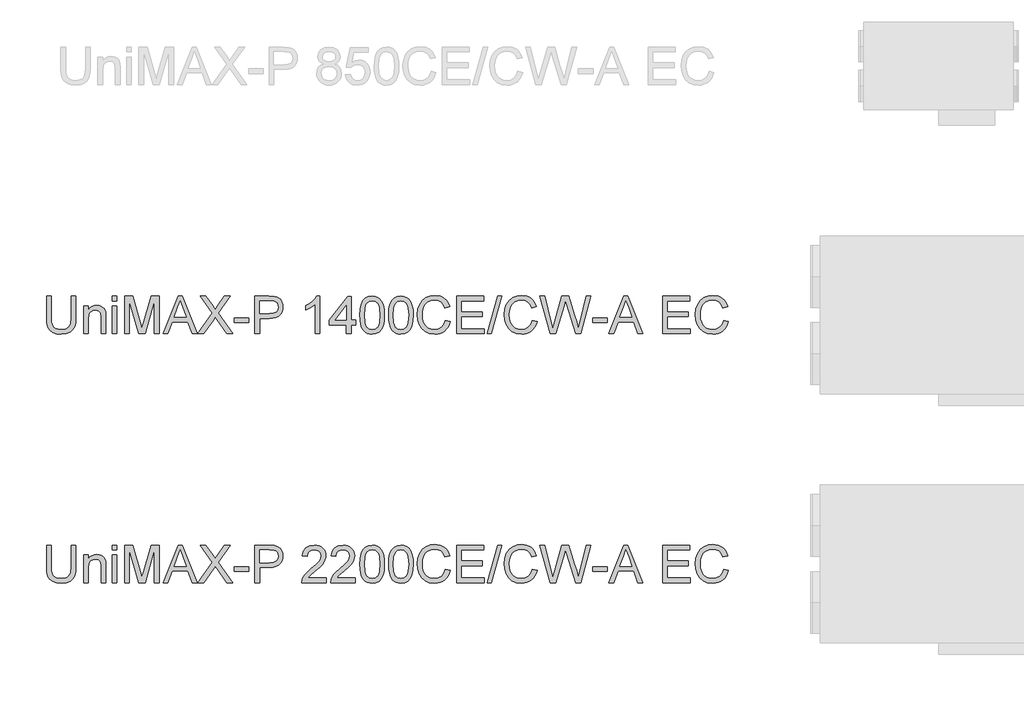
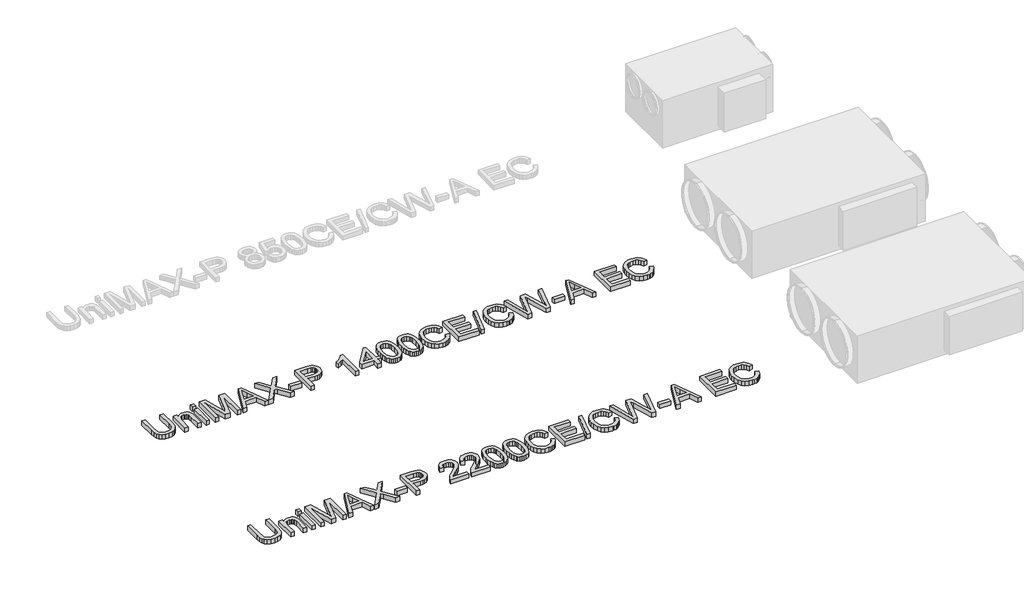
# One storey, part 8 of 74: 2 proxies.
"""IFC4 building model written with IfcOpenShell, lengths in millimetres."""

from ifc_helpers import new_model, si_unit, origin, origin_with_axes, place, context, project, spatial, polyline, outline, extrude, element, save

model = new_model("IFC4")

# Units and contexts
model_context = context("Model", 3, world=origin())
ifc_project = project(units=[si_unit("LENGTHUNIT", "METRE", prefix="MILLI")], contexts=[model_context])

# Site, building, storey
site = spatial("IfcSite", under=ifc_project)
building = spatial("IfcBuilding", under=site)
storey = spatial("IfcBuildingStorey", under=building, Elevation=0.0)

# Proxies
placement = place(None, origin())
element("IfcBuildingElementProxy", 1, Name="Generic Models", at=placement, inside=storey, context=model_context, shape_type="SweptSolid", body=[
    extrude(outline(polyline([(34516.9805383, -40731.9528304), (34554.6516546, -40731.9528304), (34554.6516546, -40905.8138613), (34552.0948748, -40946.5292011), (34544.4245352, -40977.8819441), (34530.0955314, -41002.0701853), (34507.5627592, -41021.2920196), (34476.7710362, -41033.8459926), (34437.6651802, -41038.0306503), (34399.4146497, -41034.3886186), (34368.8344589, -41023.4625233), (34345.9154106, -41005.6294436), (34330.6483078, -40981.2664585), (34322.0674602, -40948.5893403), (34319.2071777, -40905.8138613), (34319.2071777, -40731.9528304), (34356.878294, -40731.9528304), (34356.878294, -40904.4894861), (34358.7360981, -40938.3438267), (34364.3095103, -40961.9158655), (34374.4078711, -40978.2406291), (34389.8405208, -40990.3531438), (34409.9636659, -40997.8579365), (34434.133513, -41000.359534), (34472.4484228, -40995.4115212), (34486.7912221, -40989.2265052), (34497.924251, -40980.5674827), (34506.2613767, -40968.3905887), (34512.2164665, -40951.6519579), (34516.9805383, -40904.4894861), (34516.9805383, -40731.9528304)])), origin_with_axes(), (0.0, 0.0, 1.0), 50.0),
    extrude(outline(polyline([(34615.8672186, -41033.3217608), (34615.8672186, -40812.0039525), (34653.5383349, -40812.0039525), (34653.5383349, -40842.9060401), (34666.6257369, -40827.3262376), (34682.3434952, -40816.1978072), (34700.6916097, -40809.520749), (34721.6700804, -40807.295063), (34740.2389241, -40809.0884877), (34757.2442694, -40814.4687619), (34771.4261203, -40822.7645009), (34781.5244811, -40833.30432), (34792.8184583, -40861.0058343), (34794.8050211, -40897.4261518), (34794.8050211, -41033.3217608), (34757.1339048, -41033.3217608), (34757.1339048, -40902.5029233), (34752.7928972, -40869.1728146), (34746.7872237, -40859.2491977), (34737.452218, -40851.551267), (34725.4868561, -40846.6124512), (34711.5901138, -40844.9661793), (34689.5263911, -40848.6633933), (34670.7184241, -40859.7550355), (34663.2021351, -40868.8095311), (34657.8333572, -40881.1841617), (34653.5383349, -40915.8938279), (34653.5383349, -41033.3217608), (34615.8672186, -41033.3217608)])), origin_with_axes(), (0.0, 0.0, 1.0), 50.0),
    extrude(outline(polyline([(34846.602806, -41033.3217608), (34846.602806, -40812.0039525), (34884.2739223, -40812.0039525), (34884.2739223, -41033.3217608), (34846.602806, -41033.3217608)])), origin_with_axes(), (0.0, 0.0, 1.0), 50.0),
    extrude(outline(polyline([(34846.602806, -40769.6239467), (34846.602806, -40731.9528304), (34884.2739223, -40731.9528304), (34884.2739223, -40769.6239467), (34846.602806, -40769.6239467)])), origin_with_axes(), (0.0, 0.0, 1.0), 50.0),
    extrude(outline(polyline([(34945.4894863, -41033.3217608), (34945.4894863, -40731.9528304), (35010.3102939, -40731.9528304), (35071.9673162, -40944.3678944), (35084.4017277, -40988.734463), (35097.8662087, -40940.6890744), (35158.4931615, -40731.9528304), (35223.3139691, -40731.9528304), (35223.3139691, -41033.3217608), (35185.6428528, -41033.3217608), (35185.6428528, -40769.6239467), (35109.9327381, -41033.3217608), (35058.8707172, -41033.3217608), (34983.1606026, -40769.6239467), (34983.1606026, -41033.3217608), (34945.4894863, -41033.3217608)])), origin_with_axes(), (0.0, 0.0, 1.0), 50.0),
    extrude(outline(polyline([(35254.1424803, -41033.3217608), (35374.4398927, -40731.9528304), (35406.5192027, -40731.9528304), (35526.8166151, -41033.3217608), (35487.0117832, -41033.3217608), (35452.5044521, -40939.14397), (35328.3810669, -40939.14397), (35293.9473121, -41033.3217608), (35254.1424803, -41033.3217608)]), holes=[polyline([(35342.2134299, -40901.4728537), (35438.7456654, -40901.4728537), (35411.5959742, -40827.3814199), (35390.4795477, -40769.6239467), (35371.7175659, -40820.9066968), (35342.2134299, -40901.4728537)])]), origin_with_axes(), (0.0, 0.0, 1.0), 50.0),
    extrude(outline(polyline([(35534.1006786, -41033.3217608), (35650.2778127, -40869.0992382), (35552.9362367, -40731.9528304), (35598.1121457, -40731.9528304), (35652.926563, -40809.1344729), (35671.3942392, -40839.2272201), (35693.0257005, -40808.6194381), (35747.2515066, -40731.9528304), (35793.0896032, -40731.9528304), (35695.7480273, -40869.5406965), (35811.9251613, -41033.3217608), (35766.7492523, -41033.3217608), (35689.3468805, -40924.1343846), (35673.2336492, -40901.4728537), (35655.501737, -40926.3416766), (35579.9387752, -41033.3217608), (35534.1006786, -41033.3217608)])), origin_with_axes(), (0.0, 0.0, 1.0), 50.0),
    extrude(outline(polyline([(35826.05183, -40943.8528596), (35826.05183, -40906.1817433), (35943.7740684, -40906.1817433), (35943.7740684, -40943.8528596), (35826.05183, -40943.8528596)])), origin_with_axes(), (0.0, 0.0, 1.0), 50.0),
    extrude(outline(polyline([(35990.8629638, -41033.3217608), (35990.8629638, -40731.9528304), (36102.5519375, -40731.9528304), (36147.5806937, -40734.8223099), (36167.6578536, -40740.18419), (36184.1849523, -40748.9121903), (36197.4930834, -40761.4017841), (36207.913341, -40778.0484443), (36214.6455815, -40797.6841458), (36216.8896616, -40819.1408632), (36215.3744477, -40837.640729), (36210.8288058, -40854.6598698), (36203.2527359, -40870.1982856), (36192.6462382, -40884.2559764), (36178.0850089, -40895.9086386), (36158.6447447, -40904.2319687), (36134.3254456, -40909.2259668), (36105.1271115, -40910.8906328), (36028.5340801, -40910.8906328), (36028.5340801, -41033.3217608), (35990.8629638, -41033.3217608)]), holes=[polyline([(36028.5340801, -40873.2195165), (36107.3344035, -40873.2195165), (36140.7380886, -40869.7614257), (36162.8110083, -40859.3871535), (36175.1166611, -40842.7404932), (36179.2185453, -40820.4652384), (36176.7997212, -40803.5426666), (36169.5432489, -40789.2688452), (36158.3504392, -40778.5266909), (36144.122603, -40772.1991206), (36106.4514867, -40769.6239467), (36028.5340801, -40769.6239467), (36028.5340801, -40873.2195165)])]), origin_with_axes(), (0.0, 0.0, 1.0), 50.0),
    extrude(outline(polyline([(36513.5497025, -41033.3217608), (36475.8785862, -41033.3217608), (36475.8785862, -40798.4658951), (36440.1940327, -40823.8865409), (36400.5363536, -40842.9060401), (36400.5363536, -40807.295063), (36430.1232631, -40791.2002257), (36455.7554411, -40772.0519678), (36475.9613597, -40751.6896994), (36489.2694909, -40731.9528304), (36513.5497025, -40731.9528304), (36513.5497025, -41033.3217608)])), origin_with_axes(), (0.0, 0.0, 1.0), 50.0),
    extrude(outline(polyline([(36725.4497318, -41033.3217608), (36725.4497318, -40962.6884177), (36588.8919352, -40962.6884177), (36588.8919352, -40925.0173014), (36734.8675108, -40736.6617199), (36763.1208481, -40736.6617199), (36763.1208481, -40925.0173014), (36800.7919644, -40925.0173014), (36800.7919644, -40962.6884177), (36763.1208481, -40962.6884177), (36763.1208481, -41033.3217608), (36725.4497318, -41033.3217608)]), holes=[polyline([(36725.4497318, -40925.0173014), (36725.4497318, -40808.6194381), (36635.2450665, -40925.0173014), (36725.4497318, -40925.0173014)])]), origin_with_axes(), (0.0, 0.0, 1.0), 50.0),
    extrude(outline(polyline([(36833.7541911, -40885.0653167), (36836.5225032, -40836.8267901), (36844.8274392, -40798.3555305), (36858.5862258, -40769.0629266), (36877.7160896, -40748.3603673), (36902.3549862, -40736.0547146), (36932.6408714, -40731.9528304), (36955.8542253, -40734.3808515), (36976.6395581, -40741.664915), (36994.0219823, -40753.5199123), (37007.0266109, -40769.6607349), (37016.8490601, -40789.9494269), (37024.6849466, -40814.2480327), (37029.8169005, -40845.104135), (37031.5275518, -40885.0653167), (37028.7868309, -40933.0279319), (37020.5646683, -40971.407221), (37006.8886551, -41000.727416), (36987.7863825, -41021.5127488), (36963.0923036, -41033.9011749), (36932.6408714, -41038.0306503), (36911.8923269, -41036.2372256), (36893.4982272, -41030.8569514), (36877.4585722, -41021.8898278), (36863.773362, -41009.3358547), (36850.6399747, -40986.6421341), (36841.2589838, -40958.3658043), (36835.6303893, -40924.5068652), (36833.7541911, -40885.0653167)]), holes=[polyline([(36871.4253075, -40884.9917403), (36875.8398914, -40944.2483327), (36881.3581213, -40964.5163314), (36889.0836432, -40978.5441317), (36908.8021182, -40994.9056835), (36932.6408714, -41000.359534), (36956.4796247, -40994.8872894), (36976.1980997, -40978.4705553), (36983.9236216, -40964.4197624), (36989.4418515, -40944.1563622), (36993.8564354, -40884.9917403), (36989.5890043, -40827.0687202), (36984.2547154, -40806.8674001), (36976.7867109, -40792.5062068), (36957.1050241, -40775.3445117), (36932.1994131, -40769.6239467), (36908.6181772, -40774.66393), (36889.6722544, -40789.78388), (36881.6892151, -40805.4188648), (36875.9870442, -40826.4985031), (36871.4253075, -40884.9917403)])]), origin_with_axes(), (0.0, 0.0, 1.0), 50.0),
    extrude(outline(polyline([(37064.4897785, -40885.0653167), (37067.2580905, -40836.8267901), (37075.5630266, -40798.3555305), (37089.3218132, -40769.0629266), (37108.4516769, -40748.3603673), (37133.0905736, -40736.0547146), (37163.3764588, -40731.9528304), (37186.5898127, -40734.3808515), (37207.3751454, -40741.664915), (37224.7575697, -40753.5199123), (37237.7621982, -40769.6607349), (37247.5846475, -40789.9494269), (37255.420534, -40814.2480327), (37260.5524879, -40845.104135), (37262.2631391, -40885.0653167), (37259.5224183, -40933.0279319), (37251.3002557, -40971.407221), (37237.6242425, -41000.727416), (37218.5219699, -41021.5127488), (37193.827891, -41033.9011749), (37163.3764588, -41038.0306503), (37142.6279143, -41036.2372256), (37124.2338145, -41030.8569514), (37108.1941595, -41021.8898278), (37094.5089493, -41009.3358547), (37081.3755621, -40986.6421341), (37071.9945712, -40958.3658043), (37066.3659767, -40924.5068652), (37064.4897785, -40885.0653167)]), holes=[polyline([(37102.1608948, -40884.9917403), (37106.5754788, -40944.2483327), (37112.0937087, -40964.5163314), (37119.8192306, -40978.5441317), (37139.5377055, -40994.9056835), (37163.3764588, -41000.359534), (37187.2152121, -40994.8872894), (37206.9336871, -40978.4705553), (37214.659209, -40964.4197624), (37220.1774389, -40944.1563622), (37224.5920228, -40884.9917403), (37220.3245917, -40827.0687202), (37214.9903027, -40806.8674001), (37207.5222982, -40792.5062068), (37187.8406115, -40775.3445117), (37162.9350004, -40769.6239467), (37139.3537645, -40774.66393), (37120.4078418, -40789.78388), (37112.4248025, -40805.4188648), (37106.7226316, -40826.4985031), (37102.1608948, -40884.9917403)])]), origin_with_axes(), (0.0, 0.0, 1.0), 50.0),
    extrude(outline(polyline([(37521.2520637, -40926.1945238), (37558.92318, -40935.9066085), (37551.4689711, -40959.3337938), (37541.5407558, -40979.8041276), (37529.138534, -40997.3176098), (37514.2623058, -41011.8742405), (37497.2477635, -41023.3176698), (37478.4305995, -41031.4915479), (37457.8108137, -41036.3958747), (37435.3884061, -41038.0306503), (37391.6932221, -41033.0826375), (37356.9927529, -41018.238599), (37330.3948846, -40994.0135696), (37311.0075035, -40960.9225842), (37299.1709003, -40922.0190632), (37295.2253659, -40880.3564272), (37299.6859351, -40836.4129229), (37313.0676427, -40798.4658951), (37334.6715128, -40767.7201573), (37363.7985698, -40745.3805232), (37398.3426891, -40731.7780864), (37436.1977464, -40727.2439408), (37477.5016975, -40733.1116586), (37495.4704337, -40740.4463059), (37511.6503437, -40750.7148121), (37525.774713, -40763.6458642), (37537.5768273, -40778.9681493), (37554.2142905, -40816.7864184), (37516.5431742, -40825.7627391), (37503.4833634, -40798.2911511), (37485.6410866, -40779.4463959), (37462.7956147, -40768.5478918), (37434.7262185, -40764.9150571), (37402.370997, -40768.943365), (37375.7915228, -40781.0282885), (37355.6223925, -40799.9006349), (37342.4982023, -40824.2912111), (37335.2969122, -40851.8639667), (37332.8964822, -40880.2828508), (37335.7383706, -40915.0844876), (37344.2640359, -40945.1772348), (37358.7953747, -40969.4114612), (37379.6542838, -40986.6375356), (37404.6610624, -40996.9290344), (37431.6360097, -41000.359534), (37463.0807232, -40995.6874327), (37489.2831184, -40981.6711287), (37509.0659726, -40958.4577748), (37521.2520637, -40926.1945238)])), origin_with_axes(), (0.0, 0.0, 1.0), 50.0),
    extrude(outline(polyline([(37610.720965, -41033.3217608), (37610.720965, -40731.9528304), (37827.3298837, -40731.9528304), (37827.3298837, -40769.6239467), (37648.3920813, -40769.6239467), (37648.3920813, -40859.0928479), (37817.9121046, -40859.0928479), (37817.9121046, -40896.7639642), (37648.3920813, -40896.7639642), (37648.3920813, -40995.6506445), (37832.0387733, -40995.6506445), (37832.0387733, -41033.3217608), (37610.720965, -41033.3217608)])), origin_with_axes(), (0.0, 0.0, 1.0), 50.0),
    extrude(outline(polyline([(37855.5832209, -41033.3217608), (37940.3432326, -40731.9528304), (37974.335529, -40731.9528304), (37889.5755173, -41033.3217608), (37855.5832209, -41033.3217608)])), origin_with_axes(), (0.0, 0.0, 1.0), 50.0),
    extrude(outline(polyline([(38218.1677154, -40926.1945238), (38255.8388317, -40935.9066085), (38248.3846228, -40959.3337938), (38238.4564074, -40979.8041276), (38226.0541857, -40997.3176098), (38211.1779575, -41011.8742405), (38194.1634152, -41023.3176698), (38175.3462512, -41031.4915479), (38154.7264653, -41036.3958747), (38132.3040577, -41038.0306503), (38088.6088737, -41033.0826375), (38053.9084045, -41018.238599), (38027.3105363, -40994.0135696), (38007.9231552, -40960.9225842), (37996.086552, -40922.0190632), (37992.1410176, -40880.3564272), (37996.6015868, -40836.4129229), (38009.9832943, -40798.4658951), (38031.5871645, -40767.7201573), (38060.7142215, -40745.3805232), (38095.2583408, -40731.7780864), (38133.1133981, -40727.2439408), (38174.4173491, -40733.1116586), (38192.3860853, -40740.4463059), (38208.5659953, -40750.7148121), (38222.6903647, -40763.6458642), (38234.4924789, -40778.9681493), (38251.1299422, -40816.7864184), (38213.4588259, -40825.7627391), (38200.399015, -40798.2911511), (38182.5567383, -40779.4463959), (38159.7112664, -40768.5478918), (38131.6418701, -40764.9150571), (38099.2866487, -40768.943365), (38072.7071745, -40781.0282885), (38052.5380441, -40799.9006349), (38039.4138539, -40824.2912111), (38032.2125639, -40851.8639667), (38029.8121339, -40880.2828508), (38032.6540223, -40915.0844876), (38041.1796875, -40945.1772348), (38055.7110263, -40969.4114612), (38076.5699355, -40986.6375356), (38101.5767141, -40996.9290344), (38128.5516614, -41000.359534), (38159.9963749, -40995.6874327), (38186.19877, -40981.6711287), (38205.9816243, -40958.4577748), (38218.1677154, -40926.1945238)])), origin_with_axes(), (0.0, 0.0, 1.0), 50.0),
    extrude(outline(polyline([(38361.5681171, -41033.3217608), (38279.3832794, -40731.9528304), (38318.2316181, -40731.9528304), (38365.9091247, -40930.0204966), (38380.6244045, -40991.1624842), (38396.3697539, -40937.0838309), (38456.1137899, -40731.9528304), (38512.1054295, -40731.9528304), (38555.515505, -40880.6507328), (38574.1119398, -40935.8330321), (38587.8155441, -40991.1624842), (38602.0893656, -40931.7863301), (38650.2083305, -40731.9528304), (38689.0566692, -40731.9528304), (38606.7982551, -41033.3217608), (38566.5519648, -41033.3217608), (38494.299941, -40800.8203398), (38484.2199743, -40768.3731479), (38472.8892089, -40807.4422158), (38407.0383317, -41033.3217608), (38361.5681171, -41033.3217608)])), origin_with_axes(), (0.0, 0.0, 1.0), 50.0),
    extrude(outline(polyline([(38703.1833378, -40943.8528596), (38703.1833378, -40906.1817433), (38820.9055763, -40906.1817433), (38820.9055763, -40943.8528596), (38703.1833378, -40943.8528596)])), origin_with_axes(), (0.0, 0.0, 1.0), 50.0),
    extrude(outline(polyline([(38832.8985293, -41033.3217608), (38953.1959418, -40731.9528304), (38985.2752517, -40731.9528304), (39105.5726642, -41033.3217608), (39065.7678323, -41033.3217608), (39031.2605011, -40939.14397), (38907.137116, -40939.14397), (38872.7033612, -41033.3217608), (38832.8985293, -41033.3217608)]), holes=[polyline([(38920.969479, -40901.4728537), (39017.5017145, -40901.4728537), (38990.3520233, -40827.3814199), (38969.2355967, -40769.6239467), (38950.473615, -40820.9066968), (38920.969479, -40901.4728537)])]), origin_with_axes(), (0.0, 0.0, 1.0), 50.0),
    extrude(outline(polyline([(39263.5411929, -41033.3217608), (39263.5411929, -40731.9528304), (39480.1501116, -40731.9528304), (39480.1501116, -40769.6239467), (39301.2123092, -40769.6239467), (39301.2123092, -40859.0928479), (39470.7323326, -40859.0928479), (39470.7323326, -40896.7639642), (39301.2123092, -40896.7639642), (39301.2123092, -40995.6506445), (39484.8590012, -40995.6506445), (39484.8590012, -41033.3217608), (39263.5411929, -41033.3217608)])), origin_with_axes(), (0.0, 0.0, 1.0), 50.0),
    extrude(outline(polyline([(39753.2657049, -40926.1945238), (39790.9368212, -40935.9066085), (39783.4826122, -40959.3337938), (39773.5543969, -40979.8041276), (39761.1521751, -40997.3176098), (39746.275947, -41011.8742405), (39729.2614047, -41023.3176698), (39710.4442406, -41031.4915479), (39689.8244548, -41036.3958747), (39667.4020472, -41038.0306503), (39623.7068632, -41033.0826375), (39589.006394, -41018.238599), (39562.4085258, -40994.0135696), (39543.0211446, -40960.9225842), (39531.1845414, -40922.0190632), (39527.239007, -40880.3564272), (39531.6995762, -40836.4129229), (39545.0812838, -40798.4658951), (39566.685154, -40767.7201573), (39595.8122109, -40745.3805232), (39630.3563303, -40731.7780864), (39668.2113876, -40727.2439408), (39709.5153386, -40733.1116586), (39727.4840748, -40740.4463059), (39743.6639848, -40750.7148121), (39757.7883541, -40763.6458642), (39769.5904684, -40778.9681493), (39786.2279316, -40816.7864184), (39748.5568153, -40825.7627391), (39735.4970045, -40798.2911511), (39717.6547277, -40779.4463959), (39694.8092558, -40768.5478918), (39666.7398596, -40764.9150571), (39634.3846381, -40768.943365), (39607.805164, -40781.0282885), (39587.6360336, -40799.9006349), (39574.5118434, -40824.2912111), (39567.3105534, -40851.8639667), (39564.9101233, -40880.2828508), (39567.7520118, -40915.0844876), (39576.277677, -40945.1772348), (39590.8090158, -40969.4114612), (39611.6679249, -40986.6375356), (39636.6747035, -40996.9290344), (39663.6496508, -41000.359534), (39695.0943644, -40995.6874327), (39721.2967595, -40981.6711287), (39741.0796138, -40958.4577748), (39753.2657049, -40926.1945238)])), origin_with_axes(), (0.0, 0.0, 1.0), 50.0),
])
element("IfcBuildingElementProxy", 2, Name="Generic Models", at=placement, inside=storey, context=model_context, shape_type="SweptSolid", body=[
    extrude(outline(polyline([(34516.9805383, -42731.9528304), (34554.6516546, -42731.9528304), (34554.6516546, -42905.8138613), (34552.0948748, -42946.5292011), (34544.4245352, -42977.8819441), (34530.0955314, -43002.0701853), (34507.5627592, -43021.2920196), (34476.7710362, -43033.8459926), (34437.6651802, -43038.0306503), (34399.4146497, -43034.3886186), (34368.8344589, -43023.4625233), (34345.9154106, -43005.6294436), (34330.6483078, -42981.2664585), (34322.0674602, -42948.5893403), (34319.2071777, -42905.8138613), (34319.2071777, -42731.9528304), (34356.878294, -42731.9528304), (34356.878294, -42904.4894861), (34358.7360981, -42938.3438267), (34364.3095103, -42961.9158655), (34374.4078711, -42978.2406291), (34389.8405208, -42990.3531438), (34409.9636659, -42997.8579365), (34434.133513, -43000.359534), (34472.4484228, -42995.4115212), (34486.7912221, -42989.2265052), (34497.924251, -42980.5674827), (34506.2613767, -42968.3905887), (34512.2164665, -42951.6519579), (34516.9805383, -42904.4894861), (34516.9805383, -42731.9528304)])), origin_with_axes(), (0.0, 0.0, 1.0), 50.0),
    extrude(outline(polyline([(34615.8672186, -43033.3217608), (34615.8672186, -42812.0039525), (34653.5383349, -42812.0039525), (34653.5383349, -42842.9060401), (34666.6257369, -42827.3262376), (34682.3434952, -42816.1978072), (34700.6916097, -42809.520749), (34721.6700804, -42807.295063), (34740.2389241, -42809.0884877), (34757.2442694, -42814.4687619), (34771.4261203, -42822.7645009), (34781.5244811, -42833.30432), (34792.8184583, -42861.0058343), (34794.8050211, -42897.4261518), (34794.8050211, -43033.3217608), (34757.1339048, -43033.3217608), (34757.1339048, -42902.5029233), (34752.7928972, -42869.1728146), (34746.7872237, -42859.2491977), (34737.452218, -42851.551267), (34725.4868561, -42846.6124512), (34711.5901138, -42844.9661793), (34689.5263911, -42848.6633933), (34670.7184241, -42859.7550355), (34663.2021351, -42868.8095311), (34657.8333572, -42881.1841617), (34653.5383349, -42915.8938279), (34653.5383349, -43033.3217608), (34615.8672186, -43033.3217608)])), origin_with_axes(), (0.0, 0.0, 1.0), 50.0),
    extrude(outline(polyline([(34846.602806, -43033.3217608), (34846.602806, -42812.0039525), (34884.2739223, -42812.0039525), (34884.2739223, -43033.3217608), (34846.602806, -43033.3217608)])), origin_with_axes(), (0.0, 0.0, 1.0), 50.0),
    extrude(outline(polyline([(34846.602806, -42769.6239467), (34846.602806, -42731.9528304), (34884.2739223, -42731.9528304), (34884.2739223, -42769.6239467), (34846.602806, -42769.6239467)])), origin_with_axes(), (0.0, 0.0, 1.0), 50.0),
    extrude(outline(polyline([(34945.4894863, -43033.3217608), (34945.4894863, -42731.9528304), (35010.3102939, -42731.9528304), (35071.9673162, -42944.3678944), (35084.4017277, -42988.734463), (35097.8662087, -42940.6890744), (35158.4931615, -42731.9528304), (35223.3139691, -42731.9528304), (35223.3139691, -43033.3217608), (35185.6428528, -43033.3217608), (35185.6428528, -42769.6239467), (35109.9327381, -43033.3217608), (35058.8707172, -43033.3217608), (34983.1606026, -42769.6239467), (34983.1606026, -43033.3217608), (34945.4894863, -43033.3217608)])), origin_with_axes(), (0.0, 0.0, 1.0), 50.0),
    extrude(outline(polyline([(35254.1424803, -43033.3217608), (35374.4398927, -42731.9528304), (35406.5192027, -42731.9528304), (35526.8166151, -43033.3217608), (35487.0117832, -43033.3217608), (35452.5044521, -42939.14397), (35328.3810669, -42939.14397), (35293.9473121, -43033.3217608), (35254.1424803, -43033.3217608)]), holes=[polyline([(35342.2134299, -42901.4728537), (35438.7456654, -42901.4728537), (35411.5959742, -42827.3814199), (35390.4795477, -42769.6239467), (35371.7175659, -42820.9066968), (35342.2134299, -42901.4728537)])]), origin_with_axes(), (0.0, 0.0, 1.0), 50.0),
    extrude(outline(polyline([(35534.1006786, -43033.3217608), (35650.2778127, -42869.0992382), (35552.9362367, -42731.9528304), (35598.1121457, -42731.9528304), (35652.926563, -42809.1344729), (35671.3942392, -42839.2272201), (35693.0257005, -42808.6194381), (35747.2515066, -42731.9528304), (35793.0896032, -42731.9528304), (35695.7480273, -42869.5406965), (35811.9251613, -43033.3217608), (35766.7492523, -43033.3217608), (35689.3468805, -42924.1343846), (35673.2336492, -42901.4728537), (35655.501737, -42926.3416766), (35579.9387752, -43033.3217608), (35534.1006786, -43033.3217608)])), origin_with_axes(), (0.0, 0.0, 1.0), 50.0),
    extrude(outline(polyline([(35826.05183, -42943.8528596), (35826.05183, -42906.1817433), (35943.7740684, -42906.1817433), (35943.7740684, -42943.8528596), (35826.05183, -42943.8528596)])), origin_with_axes(), (0.0, 0.0, 1.0), 50.0),
    extrude(outline(polyline([(35990.8629638, -43033.3217608), (35990.8629638, -42731.9528304), (36102.5519375, -42731.9528304), (36147.5806937, -42734.8223099), (36167.6578536, -42740.18419), (36184.1849523, -42748.9121903), (36197.4930834, -42761.4017841), (36207.913341, -42778.0484443), (36214.6455815, -42797.6841458), (36216.8896616, -42819.1408632), (36215.3744477, -42837.640729), (36210.8288058, -42854.6598698), (36203.2527359, -42870.1982856), (36192.6462382, -42884.2559764), (36178.0850089, -42895.9086386), (36158.6447447, -42904.2319687), (36134.3254456, -42909.2259668), (36105.1271115, -42910.8906328), (36028.5340801, -42910.8906328), (36028.5340801, -43033.3217608), (35990.8629638, -43033.3217608)]), holes=[polyline([(36028.5340801, -42873.2195165), (36107.3344035, -42873.2195165), (36140.7380886, -42869.7614257), (36162.8110083, -42859.3871535), (36175.1166611, -42842.7404932), (36179.2185453, -42820.4652384), (36176.7997212, -42803.5426666), (36169.5432489, -42789.2688452), (36158.3504392, -42778.5266909), (36144.122603, -42772.1991206), (36106.4514867, -42769.6239467), (36028.5340801, -42769.6239467), (36028.5340801, -42873.2195165)])]), origin_with_axes(), (0.0, 0.0, 1.0), 50.0),
    extrude(outline(polyline([(36565.3474875, -42995.6506445), (36565.3474875, -43033.3217608), (36367.5741269, -43033.3217608), (36371.6208288, -43007.3492919), (36380.9098492, -42987.0514029), (36394.5030889, -42967.3605191), (36414.1663815, -42946.7499303), (36441.6655607, -42923.6929262), (36482.3165212, -42887.5853084), (36506.7070974, -42860.9322579), (36518.9023856, -42839.3007965), (36522.9674816, -42818.2579464), (36519.1323118, -42799.3947971), (36507.6268024, -42783.7138271), (36489.9408755, -42773.1464168), (36467.5644531, -42769.6239467), (36444.0659907, -42773.0636433), (36425.8098467, -42783.3827333), (36414.0284258, -42799.7718762), (36409.9541327, -42821.4217316), (36372.2830164, -42816.712842), (36381.4156869, -42780.2741304), (36389.9620455, -42765.7381931), (36401.161753, -42753.6578681), (36414.757292, -42744.1619141), (36430.4911451, -42737.3790898), (36468.3737935, -42731.9528304), (36488.5636173, -42733.4611465), (36506.5323535, -42737.9860951), (36522.2800021, -42745.527676), (36535.8065633, -42756.0858892), (36546.6705784, -42768.8789856), (36554.4305893, -42783.1252159), (36559.0865958, -42798.82458), (36560.6385979, -42815.9770781), (36558.9647348, -42833.9940988), (36553.9431456, -42851.6984198), (36545.0312043, -42869.7062434), (36531.6862849, -42888.6337721), (36510.4135085, -42911.2309237), (36477.7179962, -42940.247616), (36434.3814972, -42976.4839925), (36417.385349, -42995.6506445), (36565.3474875, -42995.6506445)])), origin_with_axes(), (0.0, 0.0, 1.0), 50.0),
    extrude(outline(polyline([(36796.0830748, -42995.6506445), (36796.0830748, -43033.3217608), (36598.3097142, -43033.3217608), (36602.3564162, -43007.3492919), (36611.6454366, -42987.0514029), (36625.2386763, -42967.3605191), (36644.9019689, -42946.7499303), (36672.4011481, -42923.6929262), (36713.0521085, -42887.5853084), (36737.4426848, -42860.9322579), (36749.6379729, -42839.3007965), (36753.703069, -42818.2579464), (36749.8678992, -42799.3947971), (36738.3623898, -42783.7138271), (36720.6764629, -42773.1464168), (36698.3000405, -42769.6239467), (36674.8015781, -42773.0636433), (36656.5454341, -42783.3827333), (36644.7640132, -42799.7718762), (36640.6897201, -42821.4217316), (36603.0186038, -42816.712842), (36612.1512743, -42780.2741304), (36620.6976329, -42765.7381931), (36631.8973404, -42753.6578681), (36645.4928794, -42744.1619141), (36661.2267325, -42737.3790898), (36699.1093809, -42731.9528304), (36719.2992047, -42733.4611465), (36737.2679409, -42737.9860951), (36753.0155895, -42745.527676), (36766.5421506, -42756.0858892), (36777.4061658, -42768.8789856), (36785.1661766, -42783.1252159), (36789.8221831, -42798.82458), (36791.3741853, -42815.9770781), (36789.7003222, -42833.9940988), (36784.678733, -42851.6984198), (36775.7667917, -42869.7062434), (36762.4218723, -42888.6337721), (36741.1490959, -42911.2309237), (36708.4535836, -42940.247616), (36665.1170846, -42976.4839925), (36648.1209364, -42995.6506445), (36796.0830748, -42995.6506445)])), origin_with_axes(), (0.0, 0.0, 1.0), 50.0),
    extrude(outline(polyline([(36833.7541911, -42885.0653167), (36836.5225032, -42836.8267901), (36844.8274392, -42798.3555305), (36858.5862258, -42769.0629266), (36877.7160896, -42748.3603673), (36902.3549862, -42736.0547146), (36932.6408714, -42731.9528304), (36955.8542253, -42734.3808515), (36976.6395581, -42741.664915), (36994.0219823, -42753.5199123), (37007.0266109, -42769.6607349), (37016.8490601, -42789.9494269), (37024.6849466, -42814.2480327), (37029.8169005, -42845.104135), (37031.5275518, -42885.0653167), (37028.7868309, -42933.0279319), (37020.5646683, -42971.407221), (37006.8886551, -43000.727416), (36987.7863825, -43021.5127488), (36963.0923036, -43033.9011749), (36932.6408714, -43038.0306503), (36911.8923269, -43036.2372256), (36893.4982272, -43030.8569514), (36877.4585722, -43021.8898278), (36863.773362, -43009.3358547), (36850.6399747, -42986.6421341), (36841.2589838, -42958.3658043), (36835.6303893, -42924.5068652), (36833.7541911, -42885.0653167)]), holes=[polyline([(36871.4253075, -42884.9917403), (36875.8398914, -42944.2483327), (36881.3581213, -42964.5163314), (36889.0836432, -42978.5441317), (36908.8021182, -42994.9056835), (36932.6408714, -43000.359534), (36956.4796247, -42994.8872894), (36976.1980997, -42978.4705553), (36983.9236216, -42964.4197624), (36989.4418515, -42944.1563622), (36993.8564354, -42884.9917403), (36989.5890043, -42827.0687202), (36984.2547154, -42806.8674001), (36976.7867109, -42792.5062068), (36957.1050241, -42775.3445117), (36932.1994131, -42769.6239467), (36908.6181772, -42774.66393), (36889.6722544, -42789.78388), (36881.6892151, -42805.4188648), (36875.9870442, -42826.4985031), (36871.4253075, -42884.9917403)])]), origin_with_axes(), (0.0, 0.0, 1.0), 50.0),
    extrude(outline(polyline([(37064.4897785, -42885.0653167), (37067.2580905, -42836.8267901), (37075.5630266, -42798.3555305), (37089.3218132, -42769.0629266), (37108.4516769, -42748.3603673), (37133.0905736, -42736.0547146), (37163.3764588, -42731.9528304), (37186.5898127, -42734.3808515), (37207.3751454, -42741.664915), (37224.7575697, -42753.5199123), (37237.7621982, -42769.6607349), (37247.5846475, -42789.9494269), (37255.420534, -42814.2480327), (37260.5524879, -42845.104135), (37262.2631391, -42885.0653167), (37259.5224183, -42933.0279319), (37251.3002557, -42971.407221), (37237.6242425, -43000.727416), (37218.5219699, -43021.5127488), (37193.827891, -43033.9011749), (37163.3764588, -43038.0306503), (37142.6279143, -43036.2372256), (37124.2338145, -43030.8569514), (37108.1941595, -43021.8898278), (37094.5089493, -43009.3358547), (37081.3755621, -42986.6421341), (37071.9945712, -42958.3658043), (37066.3659767, -42924.5068652), (37064.4897785, -42885.0653167)]), holes=[polyline([(37102.1608948, -42884.9917403), (37106.5754788, -42944.2483327), (37112.0937087, -42964.5163314), (37119.8192306, -42978.5441317), (37139.5377055, -42994.9056835), (37163.3764588, -43000.359534), (37187.2152121, -42994.8872894), (37206.9336871, -42978.4705553), (37214.659209, -42964.4197624), (37220.1774389, -42944.1563622), (37224.5920228, -42884.9917403), (37220.3245917, -42827.0687202), (37214.9903027, -42806.8674001), (37207.5222982, -42792.5062068), (37187.8406115, -42775.3445117), (37162.9350004, -42769.6239467), (37139.3537645, -42774.66393), (37120.4078418, -42789.78388), (37112.4248025, -42805.4188648), (37106.7226316, -42826.4985031), (37102.1608948, -42884.9917403)])]), origin_with_axes(), (0.0, 0.0, 1.0), 50.0),
    extrude(outline(polyline([(37521.2520637, -42926.1945238), (37558.92318, -42935.9066085), (37551.4689711, -42959.3337938), (37541.5407558, -42979.8041276), (37529.138534, -42997.3176098), (37514.2623058, -43011.8742405), (37497.2477635, -43023.3176698), (37478.4305995, -43031.4915479), (37457.8108137, -43036.3958747), (37435.3884061, -43038.0306503), (37391.6932221, -43033.0826375), (37356.9927529, -43018.238599), (37330.3948846, -42994.0135696), (37311.0075035, -42960.9225842), (37299.1709003, -42922.0190632), (37295.2253659, -42880.3564272), (37299.6859351, -42836.4129229), (37313.0676427, -42798.4658951), (37334.6715128, -42767.7201573), (37363.7985698, -42745.3805232), (37398.3426891, -42731.7780864), (37436.1977464, -42727.2439408), (37477.5016975, -42733.1116586), (37495.4704337, -42740.4463059), (37511.6503437, -42750.7148121), (37525.774713, -42763.6458642), (37537.5768273, -42778.9681493), (37554.2142905, -42816.7864184), (37516.5431742, -42825.7627391), (37503.4833634, -42798.2911511), (37485.6410866, -42779.4463959), (37462.7956147, -42768.5478918), (37434.7262185, -42764.9150571), (37402.370997, -42768.943365), (37375.7915228, -42781.0282885), (37355.6223925, -42799.9006349), (37342.4982023, -42824.2912111), (37335.2969122, -42851.8639667), (37332.8964822, -42880.2828508), (37335.7383706, -42915.0844876), (37344.2640359, -42945.1772348), (37358.7953747, -42969.4114612), (37379.6542838, -42986.6375356), (37404.6610624, -42996.9290344), (37431.6360097, -43000.359534), (37463.0807232, -42995.6874327), (37489.2831184, -42981.6711287), (37509.0659726, -42958.4577748), (37521.2520637, -42926.1945238)])), origin_with_axes(), (0.0, 0.0, 1.0), 50.0),
    extrude(outline(polyline([(37610.720965, -43033.3217608), (37610.720965, -42731.9528304), (37827.3298837, -42731.9528304), (37827.3298837, -42769.6239467), (37648.3920813, -42769.6239467), (37648.3920813, -42859.0928479), (37817.9121046, -42859.0928479), (37817.9121046, -42896.7639642), (37648.3920813, -42896.7639642), (37648.3920813, -42995.6506445), (37832.0387733, -42995.6506445), (37832.0387733, -43033.3217608), (37610.720965, -43033.3217608)])), origin_with_axes(), (0.0, 0.0, 1.0), 50.0),
    extrude(outline(polyline([(37855.5832209, -43033.3217608), (37940.3432326, -42731.9528304), (37974.335529, -42731.9528304), (37889.5755173, -43033.3217608), (37855.5832209, -43033.3217608)])), origin_with_axes(), (0.0, 0.0, 1.0), 50.0),
    extrude(outline(polyline([(38218.1677154, -42926.1945238), (38255.8388317, -42935.9066085), (38248.3846228, -42959.3337938), (38238.4564074, -42979.8041276), (38226.0541857, -42997.3176098), (38211.1779575, -43011.8742405), (38194.1634152, -43023.3176698), (38175.3462512, -43031.4915479), (38154.7264653, -43036.3958747), (38132.3040577, -43038.0306503), (38088.6088737, -43033.0826375), (38053.9084045, -43018.238599), (38027.3105363, -42994.0135696), (38007.9231552, -42960.9225842), (37996.086552, -42922.0190632), (37992.1410176, -42880.3564272), (37996.6015868, -42836.4129229), (38009.9832943, -42798.4658951), (38031.5871645, -42767.7201573), (38060.7142215, -42745.3805232), (38095.2583408, -42731.7780864), (38133.1133981, -42727.2439408), (38174.4173491, -42733.1116586), (38192.3860853, -42740.4463059), (38208.5659953, -42750.7148121), (38222.6903647, -42763.6458642), (38234.4924789, -42778.9681493), (38251.1299422, -42816.7864184), (38213.4588259, -42825.7627391), (38200.399015, -42798.2911511), (38182.5567383, -42779.4463959), (38159.7112664, -42768.5478918), (38131.6418701, -42764.9150571), (38099.2866487, -42768.943365), (38072.7071745, -42781.0282885), (38052.5380441, -42799.9006349), (38039.4138539, -42824.2912111), (38032.2125639, -42851.8639667), (38029.8121339, -42880.2828508), (38032.6540223, -42915.0844876), (38041.1796875, -42945.1772348), (38055.7110263, -42969.4114612), (38076.5699355, -42986.6375356), (38101.5767141, -42996.9290344), (38128.5516614, -43000.359534), (38159.9963749, -42995.6874327), (38186.19877, -42981.6711287), (38205.9816243, -42958.4577748), (38218.1677154, -42926.1945238)])), origin_with_axes(), (0.0, 0.0, 1.0), 50.0),
    extrude(outline(polyline([(38361.5681171, -43033.3217608), (38279.3832794, -42731.9528304), (38318.2316181, -42731.9528304), (38365.9091247, -42930.0204966), (38380.6244045, -42991.1624842), (38396.3697539, -42937.0838309), (38456.1137899, -42731.9528304), (38512.1054295, -42731.9528304), (38555.515505, -42880.6507328), (38574.1119398, -42935.8330321), (38587.8155441, -42991.1624842), (38602.0893656, -42931.7863301), (38650.2083305, -42731.9528304), (38689.0566692, -42731.9528304), (38606.7982551, -43033.3217608), (38566.5519648, -43033.3217608), (38494.299941, -42800.8203398), (38484.2199743, -42768.3731479), (38472.8892089, -42807.4422158), (38407.0383317, -43033.3217608), (38361.5681171, -43033.3217608)])), origin_with_axes(), (0.0, 0.0, 1.0), 50.0),
    extrude(outline(polyline([(38703.1833378, -42943.8528596), (38703.1833378, -42906.1817433), (38820.9055763, -42906.1817433), (38820.9055763, -42943.8528596), (38703.1833378, -42943.8528596)])), origin_with_axes(), (0.0, 0.0, 1.0), 50.0),
    extrude(outline(polyline([(38832.8985293, -43033.3217608), (38953.1959418, -42731.9528304), (38985.2752517, -42731.9528304), (39105.5726642, -43033.3217608), (39065.7678323, -43033.3217608), (39031.2605011, -42939.14397), (38907.137116, -42939.14397), (38872.7033612, -43033.3217608), (38832.8985293, -43033.3217608)]), holes=[polyline([(38920.969479, -42901.4728537), (39017.5017145, -42901.4728537), (38990.3520233, -42827.3814199), (38969.2355967, -42769.6239467), (38950.473615, -42820.9066968), (38920.969479, -42901.4728537)])]), origin_with_axes(), (0.0, 0.0, 1.0), 50.0),
    extrude(outline(polyline([(39263.5411929, -43033.3217608), (39263.5411929, -42731.9528304), (39480.1501116, -42731.9528304), (39480.1501116, -42769.6239467), (39301.2123092, -42769.6239467), (39301.2123092, -42859.0928479), (39470.7323326, -42859.0928479), (39470.7323326, -42896.7639642), (39301.2123092, -42896.7639642), (39301.2123092, -42995.6506445), (39484.8590012, -42995.6506445), (39484.8590012, -43033.3217608), (39263.5411929, -43033.3217608)])), origin_with_axes(), (0.0, 0.0, 1.0), 50.0),
    extrude(outline(polyline([(39753.2657049, -42926.1945238), (39790.9368212, -42935.9066085), (39783.4826122, -42959.3337938), (39773.5543969, -42979.8041276), (39761.1521751, -42997.3176098), (39746.275947, -43011.8742405), (39729.2614047, -43023.3176698), (39710.4442406, -43031.4915479), (39689.8244548, -43036.3958747), (39667.4020472, -43038.0306503), (39623.7068632, -43033.0826375), (39589.006394, -43018.238599), (39562.4085258, -42994.0135696), (39543.0211446, -42960.9225842), (39531.1845414, -42922.0190632), (39527.239007, -42880.3564272), (39531.6995762, -42836.4129229), (39545.0812838, -42798.4658951), (39566.685154, -42767.7201573), (39595.8122109, -42745.3805232), (39630.3563303, -42731.7780864), (39668.2113876, -42727.2439408), (39709.5153386, -42733.1116586), (39727.4840748, -42740.4463059), (39743.6639848, -42750.7148121), (39757.7883541, -42763.6458642), (39769.5904684, -42778.9681493), (39786.2279316, -42816.7864184), (39748.5568153, -42825.7627391), (39735.4970045, -42798.2911511), (39717.6547277, -42779.4463959), (39694.8092558, -42768.5478918), (39666.7398596, -42764.9150571), (39634.3846381, -42768.943365), (39607.805164, -42781.0282885), (39587.6360336, -42799.9006349), (39574.5118434, -42824.2912111), (39567.3105534, -42851.8639667), (39564.9101233, -42880.2828508), (39567.7520118, -42915.0844876), (39576.277677, -42945.1772348), (39590.8090158, -42969.4114612), (39611.6679249, -42986.6375356), (39636.6747035, -42996.9290344), (39663.6496508, -43000.359534), (39695.0943644, -42995.6874327), (39721.2967595, -42981.6711287), (39741.0796138, -42958.4577748), (39753.2657049, -42926.1945238)])), origin_with_axes(), (0.0, 0.0, 1.0), 50.0),
])

save(model, "model.ifc")
